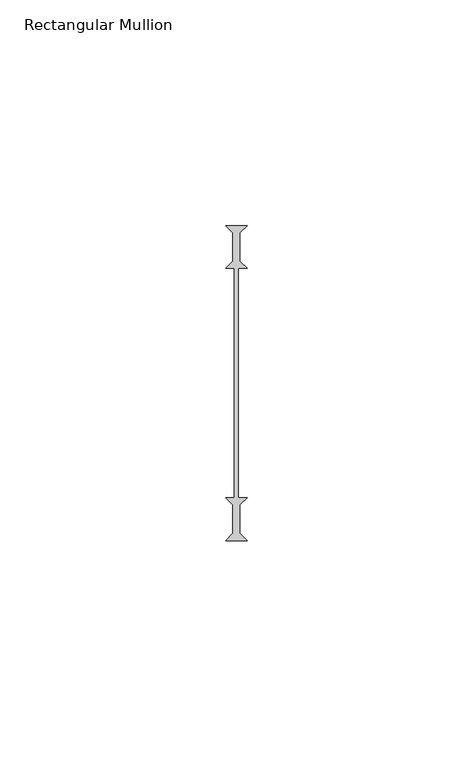
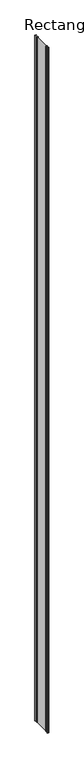
"""IFC4 building model written with IfcOpenShell, lengths in millimetres: member geometry, Rectangular Mullion."""

from ifc_helpers import new_model, si_unit, frame, origin, place, context, project, spatial, polyline, outline, extrude, source, transform, mapped, element, save


def rectangular_mullion_312314a7(model_context):
    return source(origin(), model_context, "Body", "SweptSolid", [
        extrude(outline(polyline([(-2.38125, 34.925), (2.38125, 34.925), (0.79375, 33.3375), (0.79375, 26.9875), (2.38125, 25.4), (0.396875, 25.4), (0.396875, -25.4), (2.38125, -25.4), (0.79375, -26.9875), (0.79375, -33.3375), (2.38125, -34.925), (-2.38125, -34.925), (-0.79375, -33.3375), (-0.79375, -26.9875), (-2.38125, -25.4), (-0.396875, -25.4), (-0.396875, 25.4), (-2.38125, 25.4), (-0.79375, 26.9875), (-0.79375, 33.3375), (-2.38125, 34.925)])), frame((0.0, 0.0, -2359.025), z_axis=(0.0, 0.0, 1.0), x_axis=(1.0, 0.0, 0.0)), (0.0, 0.0, 1.0), 2359.025),
    ])


if __name__ == "__main__":
    model = new_model("IFC4")
    model_context = context("Model", 3, world=origin())
    ifc_project = project(units=[si_unit("LENGTHUNIT", "METRE", prefix="MILLI")], contexts=[model_context])
    site = spatial("IfcSite", under=ifc_project)
    building = spatial("IfcBuilding", under=site)
    placement = place(None, origin())
    rectangular_mullion_shape = rectangular_mullion_312314a7(model_context)
    element("IfcMember", 1, ObjectType="Rectangular Mullion", at=placement, inside=building, context=model_context, shape_type="MappedRepresentation", body=[
        mapped(rectangular_mullion_shape, transform((0.0, 0.0, 0.0), x_axis=(1.0, 0.0, 0.0), y_axis=(0.0, 1.0, 0.0), z_axis=(0.0, 0.0, 1.0))),
    ])
    save(model, "model.ifc")
